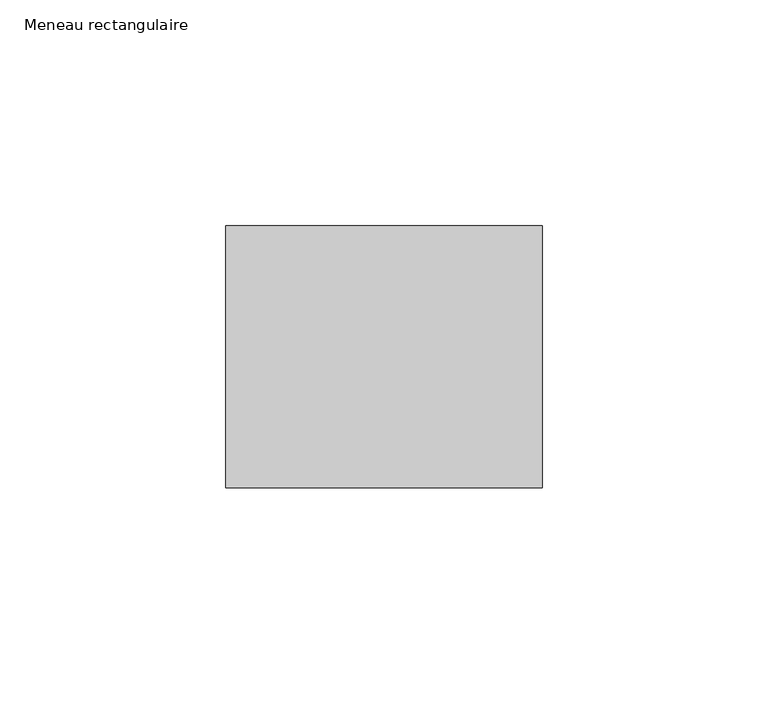
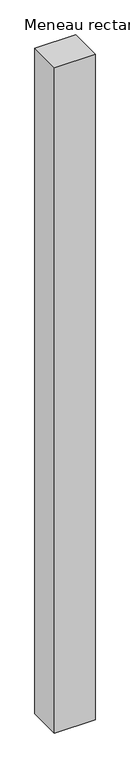
"""IFC4 building model written with IfcOpenShell, lengths in millimetres: member geometry, Meneau rectangulaire."""

from ifc_helpers import new_model, si_unit, frame, origin, place, context, project, spatial, polyline, outline, extrude, source, transform, mapped, element, save


def meneau_rectangulaire_f71b8703(model_context):
    return source(origin(), model_context, "Body", "SweptSolid", [
        extrude(outline(polyline([(0.0, 29.0), (0.0, -29.0), (-70.0, -29.0), (-70.0, 29.0), (0.0, 29.0)])), frame((0.0, 0.0, -1209.7499998), z_axis=(0.0, 0.0, 1.0), x_axis=(1.0, 0.0, 0.0)), (0.0, 0.0, 1.0), 1209.7499998),
    ])


if __name__ == "__main__":
    model = new_model("IFC4")
    model_context = context("Model", 3, world=origin())
    ifc_project = project(units=[si_unit("LENGTHUNIT", "METRE", prefix="MILLI")], contexts=[model_context])
    site = spatial("IfcSite", under=ifc_project)
    building = spatial("IfcBuilding", under=site)
    placement = place(None, origin())
    meneau_rectangulaire_shape = meneau_rectangulaire_f71b8703(model_context)
    element("IfcMember", 1, ObjectType="Meneau rectangulaire", at=placement, inside=building, context=model_context, shape_type="MappedRepresentation", body=[
        mapped(meneau_rectangulaire_shape, transform((0.0, 0.0, 0.0), x_axis=(1.0, 0.0, 0.0), y_axis=(0.0, 1.0, 0.0), z_axis=(0.0, 0.0, 1.0))),
    ])
    save(model, "model.ifc")
